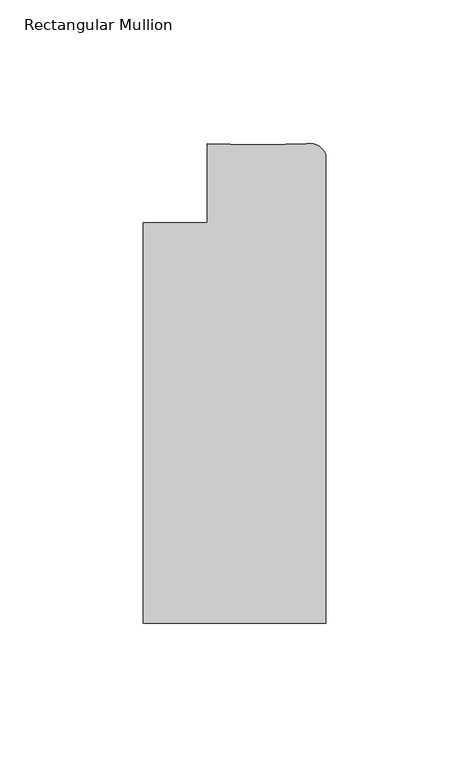
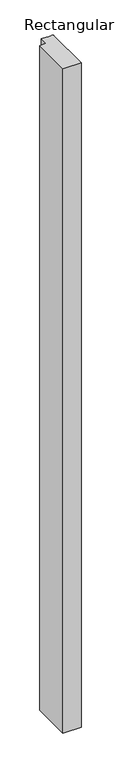
"""IFC4 building model written with IfcOpenShell, lengths in millimetres: member geometry, Rectangular Mullion."""

from ifc_helpers import new_model, si_unit, point, frame, frame_2d, origin, place, context, project, spatial, polyline, circle_curve, trimmed, segment, composite_curve, outline, extrude, source, transform, mapped, element, save


def rectangular_mullion_ae65f076(model_context):
    return source(origin(), model_context, "Body", "SweptSolid", [
        extrude(outline(composite_curve([segment(polyline([(-63.5, -152.3929896), (-63.5, -12.6929946), (-41.2794957, -12.6929946), (-41.2794957, 14.8669145), (-24.990061, 14.4215126), (-21.1935714, 14.4215126), (-6.6765587, 14.8549516)]), True, "CONTINUOUS"), segment(trimmed(circle_curve(frame_2d((-5.5577367, 9.027811)), 5.9335766), [point((-6.6765587, 14.8549516))], [point((0.0, 11.1060059))], False, "CARTESIAN"), True, "CONTINUOUS"), segment(polyline([(0.0, 11.1060059), (0.0, -152.3929896), (-63.5, -152.3929896)]), True, "CONTINUOUS")], self_intersect=False)), frame((0.0, 0.0, -2438.4), z_axis=(0.0, 0.0, 1.0), x_axis=(1.0, 0.0, 0.0)), (0.0, 0.0, 1.0), 2438.4),
    ])


if __name__ == "__main__":
    model = new_model("IFC4")
    model_context = context("Model", 3, world=origin())
    ifc_project = project(units=[si_unit("LENGTHUNIT", "METRE", prefix="MILLI")], contexts=[model_context])
    site = spatial("IfcSite", under=ifc_project)
    building = spatial("IfcBuilding", under=site)
    placement = place(None, origin())
    rectangular_mullion_shape = rectangular_mullion_ae65f076(model_context)
    element("IfcMember", 1, ObjectType="Rectangular Mullion", at=placement, inside=building, context=model_context, shape_type="MappedRepresentation", body=[
        mapped(rectangular_mullion_shape, transform((0.0, 0.0, 0.0), x_axis=(1.0, 0.0, 0.0), y_axis=(0.0, 1.0, 0.0), z_axis=(0.0, 0.0, 1.0))),
    ])
    save(model, "model.ifc")
